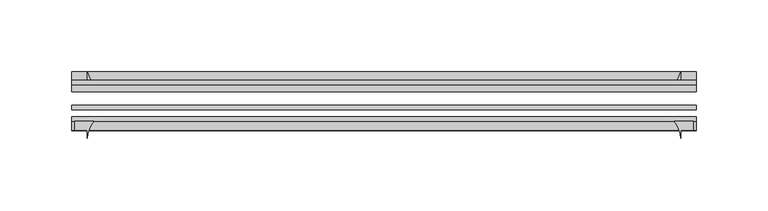
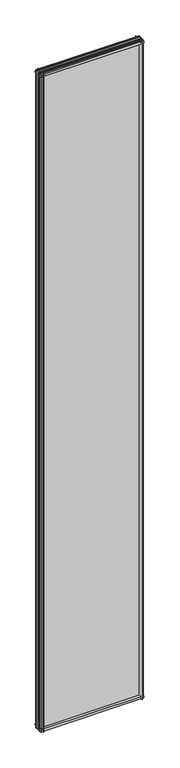
"""IFC4 building model written with IfcOpenShell, lengths in millimetres: plate geometry."""

from ifc_helpers import new_model, si_unit, point, frame, frame_2d, origin, place, context, project, spatial, polyline, circle_curve, trimmed, segment, composite_curve, outline, extrude, source, transform, mapped, element, save


def plate_521826e3(model_context):
    return source(origin(), model_context, "Body", "SweptSolid", [
        extrude(outline(composite_curve([segment(polyline([(-42.891075, -11.1125), (-42.891075, 3.8539528)]), True, "CONTINUOUS"), segment(trimmed(circle_curve(frame_2d((-26.637892, 29.5913262)), 30.4397495), [point((-42.891075, 3.8539528))], [point((-33.7745413, 0.0))], True, "CARTESIAN"), True, "CONTINUOUS"), segment(polyline([(-33.7745413, 0.0), (-39.690675, 0.0), (-39.690675, -11.1125), (-42.891075, -11.1125)]), True, "CONTINUOUS")], self_intersect=False)), frame((-218.28125, 0.0, 0.0), z_axis=(1.0, 0.0, 0.0), x_axis=(0.0, 1.0, 0.0)), (0.0, 0.0, 1.0), 436.5625),
        extrude(outline(composite_curve([segment(trimmed(circle_curve(frame_2d((-80.4922797, 17.8701603)), 18.6769817), [point((-74.641075, 0.1333891))], [point((-68.291075, 3.72943))], True, "CARTESIAN"), True, "CONTINUOUS"), segment(polyline([(-68.291075, 3.72943), (-68.291075, -10.3251), (-74.641075, -10.3251), (-74.641075, 0.1333891)]), True, "CONTINUOUS")], self_intersect=False)), frame((-218.28125, 0.0, 0.0), z_axis=(1.0, 0.0, 0.0), x_axis=(0.0, 1.0, 0.0)), (0.0, 0.0, 1.0), 436.5625),
        extrude(outline(composite_curve([segment(polyline([(-42.891075, 2910.7833472), (-42.891075, 2925.7625), (-39.690675, 2925.7625), (-39.690675, 2914.65), (-33.721675, 2914.65)]), True, "CONTINUOUS"), segment(trimmed(circle_curve(frame_2d((-26.637892, 2885.0459738)), 30.4397495), [point((-33.721675, 2914.65))], [point((-42.891075, 2910.7833472))], True, "CARTESIAN"), True, "CONTINUOUS")], self_intersect=False)), frame((-218.28125, 0.0, 0.0), z_axis=(1.0, 0.0, 0.0), x_axis=(0.0, 1.0, 0.0)), (0.0, 0.0, 1.0), 436.5625),
        extrude(outline(composite_curve([segment(polyline([(-68.291075, 2923.3876), (-68.291075, 2910.11412)]), True, "CONTINUOUS"), segment(trimmed(circle_curve(frame_2d((-80.4922797, 2895.9733897)), 18.6769817), [point((-68.291075, 2910.11412))], [point((-74.641075, 2913.7101609))], True, "CARTESIAN"), True, "CONTINUOUS"), segment(polyline([(-74.641075, 2913.7101609), (-74.641075, 2923.3876), (-68.291075, 2923.3876)]), True, "CONTINUOUS")], self_intersect=False)), frame((-218.28125, 0.0, 0.0), z_axis=(1.0, 0.0, 0.0), x_axis=(0.0, 1.0, 0.0)), (0.0, 0.0, 1.0), 436.5625),
        extrude(outline(composite_curve([segment(polyline([(202.63287, -68.291075), (215.90635, -68.291075), (215.90635, -74.641075), (207.16875, -74.641075), (207.16875, -80.3744844)]), True, "CONTINUOUS"), segment(trimmed(circle_curve(frame_2d((188.4921397, -80.4922797)), 18.6769817), [point((207.16875, -80.3744844))], [point((202.63287, -68.291075))], True, "CARTESIAN"), True, "CONTINUOUS")], self_intersect=False)), frame((0.0, 0.0, -11.1125), z_axis=(0.0, 0.0, 1.0), x_axis=(1.0, 0.0, 0.0)), (0.0, 0.0, 1.0), 2936.875),
        extrude(outline(composite_curve([segment(trimmed(circle_curve(frame_2d((177.5647238, -26.637892)), 30.4397495), [point((203.3020972, -42.891075))], [point((207.16875, -33.721675))], True, "CARTESIAN"), True, "CONTINUOUS"), segment(polyline([(207.16875, -33.721675), (207.16875, -39.690675), (218.28125, -39.690675), (218.28125, -42.891075), (203.3020972, -42.891075)]), True, "CONTINUOUS")], self_intersect=False)), frame((0.0, 0.0, -11.1125), z_axis=(0.0, 0.0, 1.0), x_axis=(1.0, 0.0, 0.0)), (0.0, 0.0, 1.0), 2936.875),
        extrude(outline(composite_curve([segment(trimmed(circle_curve(frame_2d((-188.4921397, -80.4922797)), 18.6769817), [point((-202.63287, -68.291075))], [point((-207.16875, -80.3744844))], True, "CARTESIAN"), True, "CONTINUOUS"), segment(polyline([(-207.16875, -80.3744844), (-207.16875, -74.641075), (-215.90635, -74.641075), (-215.90635, -68.291075), (-202.63287, -68.291075)]), True, "CONTINUOUS")], self_intersect=False)), frame((0.0, 0.0, -11.1125), z_axis=(0.0, 0.0, 1.0), x_axis=(1.0, 0.0, 0.0)), (0.0, 0.0, 1.0), 2936.875),
        extrude(outline(composite_curve([segment(polyline([(-203.3020972, -42.891075), (-218.28125, -42.891075), (-218.28125, -39.690675), (-207.16875, -39.690675), (-207.16875, -33.721675)]), True, "CONTINUOUS"), segment(trimmed(circle_curve(frame_2d((-177.5647238, -26.637892)), 30.4397495), [point((-207.16875, -33.721675))], [point((-203.3020972, -42.891075))], True, "CARTESIAN"), True, "CONTINUOUS")], self_intersect=False)), frame((0.0, 0.0, -11.1125), z_axis=(0.0, 0.0, 1.0), x_axis=(1.0, 0.0, 0.0)), (0.0, 0.0, 1.0), 2936.875),
        extrude(outline(polyline([(-218.28125, -42.891075), (218.28125, -42.891075), (218.28125, -47.653575), (-218.28125, -47.653575), (-218.28125, -42.891075)])), frame((0.0, 0.0, -11.1125), z_axis=(0.0, 0.0, 1.0), x_axis=(1.0, 0.0, 0.0)), (0.0, 0.0, 1.0), 2936.875),
        extrude(outline(polyline([(218.28125, -57.369075), (218.28125, -60.544075), (-218.28125, -60.544075), (-218.28125, -57.369075), (218.28125, -57.369075)])), frame((0.0, 0.0, -11.1125), z_axis=(0.0, 0.0, 1.0), x_axis=(1.0, 0.0, 0.0)), (0.0, 0.0, 1.0), 2936.875),
        extrude(outline(polyline([(-218.28125, -65.116075), (218.28125, -65.116075), (218.28125, -68.291075), (-218.28125, -68.291075), (-218.28125, -65.116075)])), frame((0.0, 0.0, -11.1125), z_axis=(0.0, 0.0, 1.0), x_axis=(1.0, 0.0, 0.0)), (0.0, 0.0, 1.0), 2936.875),
    ])


if __name__ == "__main__":
    model = new_model("IFC4")
    model_context = context("Model", 3, world=origin())
    ifc_project = project(units=[si_unit("LENGTHUNIT", "METRE", prefix="MILLI")], contexts=[model_context])
    site = spatial("IfcSite", under=ifc_project)
    building = spatial("IfcBuilding", under=site)
    placement = place(None, origin())
    plate_shape = plate_521826e3(model_context)
    element("IfcPlate", 1, at=placement, inside=building, context=model_context, shape_type="MappedRepresentation", body=[
        mapped(plate_shape, transform((0.0, 0.0, 0.0), x_axis=(1.0, 0.0, 0.0), y_axis=(0.0, 1.0, 0.0), z_axis=(0.0, 0.0, 1.0))),
    ])
    save(model, "model.ifc")
